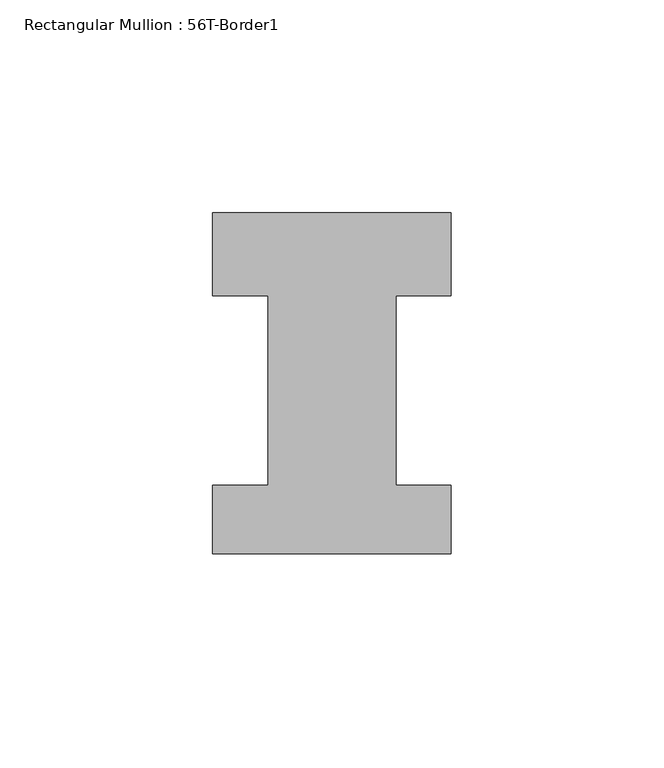
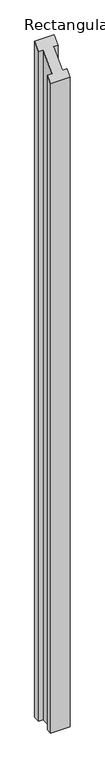
"""IFC4 building model written with IfcOpenShell, lengths in millimetres: member geometry, Rectangular Mullion : 56T-Border1."""

from ifc_helpers import new_model, si_unit, origin, place, context, project, spatial, faceted_brep, source, transform, mapped, element, save


def rectangular_mullion_56t_border1_c1758688(model_context):
    return source(origin(), model_context, "Body", "Brep", [
        faceted_brep([(-56.0, 20.0, -2036.0), (0.0, 20.0, -2036.0), (0.0, 0.5, -2036.0), (-13.0, 0.5, -2036.0), (-13.0, -44.0, -2036.0), (0.0, -44.0, -2036.0), (0.0, -60.0, -2036.0), (-56.0, -60.0, -2036.0), (-56.0, -44.0, -2036.0), (-43.0, -44.0, -2036.0), (-43.0, 0.5, -2036.0), (-56.0, 0.5, -2036.0), (-56.0, 0.5, 0.5), (-56.0, 20.0, 20.0), (-43.0, 0.5, 0.5), (-43.0, -44.0, -44.0), (-56.0, -44.0, -44.0), (-56.0, -60.0, -60.0), (0.0, -60.0, -60.0), (0.0, -44.0, -44.0), (-13.0, -44.0, -44.0), (-13.0, 0.5, 0.5), (0.0, 0.5, 0.5), (0.0, 20.0, 20.0)], [[[0, 1, 2, 3, 4, 5, 6, 7, 8, 9, 10, 11]], [[12, 13, 0, 11]], [[14, 12, 11, 10]], [[15, 14, 10, 9]], [[16, 15, 9, 8]], [[17, 16, 8, 7]], [[18, 17, 7, 6]], [[19, 18, 6, 5]], [[20, 19, 5, 4]], [[21, 20, 4, 3]], [[22, 21, 3, 2]], [[23, 22, 2, 1]], [[13, 23, 1, 0]], [[13, 12, 14, 15, 16, 17, 18, 19, 20, 21, 22, 23]]]),
    ])


if __name__ == "__main__":
    model = new_model("IFC4")
    model_context = context("Model", 3, world=origin())
    ifc_project = project(units=[si_unit("LENGTHUNIT", "METRE", prefix="MILLI")], contexts=[model_context])
    site = spatial("IfcSite", under=ifc_project)
    building = spatial("IfcBuilding", under=site)
    placement = place(None, origin())
    rectangular_mullion_56t_border1_shape = rectangular_mullion_56t_border1_c1758688(model_context)
    element("IfcMember", 1, ObjectType="Rectangular Mullion : 56T-Border1", at=placement, inside=building, context=model_context, shape_type="MappedRepresentation", body=[
        mapped(rectangular_mullion_56t_border1_shape, transform((0.0, 0.0, 0.0), x_axis=(1.0, 0.0, 0.0), y_axis=(0.0, 1.0, 0.0), z_axis=(0.0, 0.0, 1.0))),
    ])
    save(model, "model.ifc")
